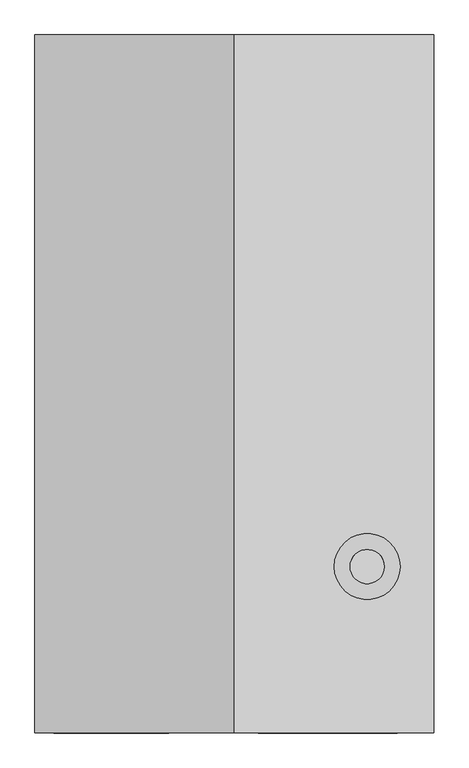
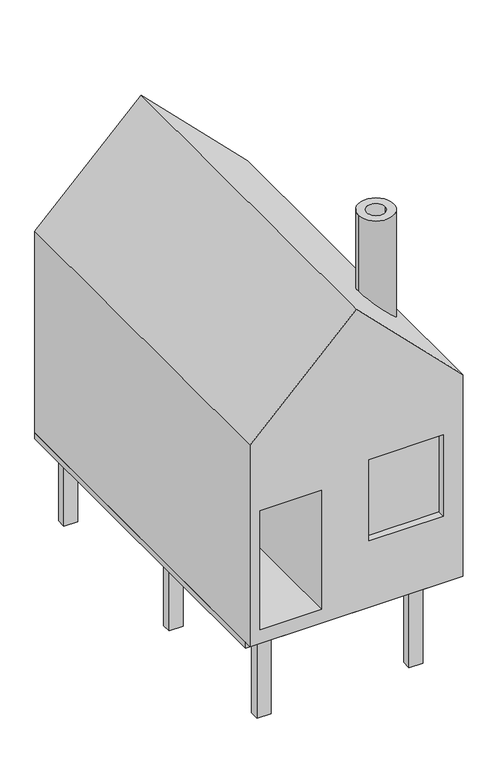
"""IFC4 building model written with IfcOpenShell, lengths in millimetres: proxy geometry."""

from ifc_helpers import new_model, si_unit, frame, origin, place, context, project, spatial, polyline, circle_curve, ellipse_curve, outline, extrude, source, transform, mapped, element, save
from ifc_brep_helpers import plane_surface, cylinder_surface, revolved_surface, advanced_brep


def generic_models_34aaccdc(model_context):
    return source(origin(), model_context, "Body", "SolidModel", [
        advanced_brep(
        [(0.0, -250.0, 7000.0), (0.0, -250.0, 0.0), (7000.0, -250.0, 0.0), (7000.0, -250.0, 7000.0), (3500.0, -250.0, 10500.0), (2353.0920418, -250.0, 4608.2037863), (2353.0920418, -250.0, 481.2048146), (327.0709999, -250.0, 481.2048146), (327.0709999, -250.0, 4608.2037863), (6357.1792653, -250.0, 5130.2848961), (6357.1792653, -250.0, 2302.9199047), (3917.7442303, -250.0, 2302.9199047), (3917.7442303, -250.0, 5130.2848961), (0.0, 12000.0, 7000.0), (3500.0, 12000.0, 10500.0), (7000.0, 12000.0, 7000.0), (7000.0, 12000.0, 0.0), (0.0, 12000.0, 0.0), (2353.0920418, 12000.0, 4608.2037863), (327.0709999, 12000.0, 4608.2037863), (327.0709999, 12000.0, 481.2048146), (2353.0920418, 12000.0, 481.2048146), (6409.9338849, 2670.3539018, 7590.0661151), (5252.3502744, 2670.3539018, 8747.6497256), (6131.1420797, 2670.3539018, 7868.8579203), (5531.1420797, 2670.3539018, 8468.8579203), (6357.1792653, 0.0, 5130.2848961), (3917.7442303, 0.0, 5130.2848961), (3917.7442303, 0.0, 2302.9199047), (6357.1792653, 0.0, 2302.9199047), (5252.3502744, 2670.3539018, 11373.3801353), (6409.9338849, 2670.3539018, 11373.3801353), (5531.1420797, 2670.3539018, 11373.3801353), (6131.1420797, 2670.3539018, 11373.3801353)],
        [
            (0, 1),
            (1, 2),
            (2, 3),
            (3, 4),
            (4, 0),
            (5, 6),
            (6, 7),
            (7, 8),
            (8, 5),
            (9, 10),
            (10, 11),
            (11, 12),
            (12, 9),
            (13, 14),
            (14, 15),
            (15, 16),
            (16, 17),
            (17, 13),
            (18, 19),
            (19, 20),
            (20, 21),
            (21, 18),
            (5, 18),
            (21, 6),
            (20, 7),
            (19, 8),
            (0, 13),
            (17, 1),
            (16, 2),
            (15, 3),
            (14, 4),
            (22, 23, ellipse_curve(frame((5831.1420797, 2670.3539018, 8168.8579203), z_axis=(-0.7071067811865493, 0.0, -0.7071067811865459), x_axis=(-0.707106781186546, 0.0, 0.707106781186549)), 818.5352208, 578.7918053)),
            (23, 22, ellipse_curve(frame((5831.1420797, 2670.3539018, 8168.8579203), z_axis=(-0.7071067811865493, 0.0, -0.7071067811865459), x_axis=(-0.707106781186546, 0.0, 0.707106781186549)), 818.5352208, 578.7918053)),
            (24, 25, ellipse_curve(frame((5831.1420797, 2670.3539018, 8168.8579203), z_axis=(0.7071067811865493, 0.0, 0.7071067811865459), x_axis=(0.707106781186546, 0.0, -0.707106781186549)), 424.2640687, 300.0)),
            (25, 24, ellipse_curve(frame((5831.1420797, 2670.3539018, 8168.8579203), z_axis=(0.7071067811865493, 0.0, 0.7071067811865459), x_axis=(0.707106781186546, 0.0, -0.707106781186549)), 424.2640687, 300.0)),
            (26, 27),
            (27, 28),
            (28, 29),
            (29, 26),
            (29, 10),
            (9, 26),
            (28, 11),
            (27, 12),
            (30, 31, circle_curve(frame((5831.1420797, 2670.3539018, 11373.3801353), z_axis=(0.0, 0.0, 1.0), x_axis=(1.0, 0.0, 0.0)), 578.7918053)),
            (31, 30, circle_curve(frame((5831.1420797, 2670.3539018, 11373.3801353), z_axis=(0.0, 0.0, 1.0), x_axis=(1.0, 0.0, 0.0)), 578.7918053)),
            (32, 33, circle_curve(frame((5831.1420797, 2670.3539018, 11373.3801353), z_axis=(0.0, 0.0, -1.0), x_axis=(1.0, 0.0, 0.0)), 300.0)),
            (33, 32, circle_curve(frame((5831.1420797, 2670.3539018, 11373.3801353), z_axis=(0.0, 0.0, -1.0), x_axis=(1.0, 0.0, 0.0)), 300.0)),
            (30, 23),
            (22, 31),
            (32, 25),
            (24, 33),
        ],
        [
            plane_surface(frame((2353.0920418, -250.0, 4608.2037863), z_axis=(0.0, -1.0, 0.0), x_axis=(0.0, 0.0, -1.0))),
            plane_surface(frame((2353.0920418, 12000.0, 4608.2037863), z_axis=(0.0, 1.0, 0.0), x_axis=(0.0, 0.0, 1.0))),
            plane_surface(frame((2353.0920418, -250.0, 4608.2037863), z_axis=(-1.0, 0.0, 0.0), x_axis=(0.0, 1.0, 0.0))),
            plane_surface(frame((2353.0920418, -250.0, 481.2048146), z_axis=(0.0, 0.0, 1.0), x_axis=(0.0, 1.0, 0.0))),
            plane_surface(frame((327.0709999, -250.0, 481.2048146), z_axis=(1.0, 0.0, 0.0), x_axis=(0.0, 1.0, 0.0))),
            plane_surface(frame((327.0709999, -250.0, 4608.2037863), z_axis=(0.0, 0.0, -1.0), x_axis=(0.0, 1.0, 0.0))),
            plane_surface(frame((0.0, -250.0, 7000.0), z_axis=(-1.0, 0.0, 0.0), x_axis=(0.0, 1.0, 0.0))),
            plane_surface(frame((0.0, -250.0, 0.0), z_axis=(0.0, 0.0, -1.0), x_axis=(0.0, 1.0, 0.0))),
            plane_surface(frame((7000.0, -250.0, 0.0), z_axis=(1.0, 0.0, 0.0), x_axis=(0.0, 1.0, 0.0))),
            plane_surface(frame((7000.0, -250.0, 7000.0), z_axis=(0.7071067811865493, 0.0, 0.7071067811865459), x_axis=(0.0, 1.0, 0.0))),
            plane_surface(frame((3500.0, -250.0, 10500.0), z_axis=(-0.7071067811865469, 0.0, 0.7071067811865482), x_axis=(0.0, 1.0, 0.0))),
            plane_surface(frame((6357.1792653, 0.0, 5130.2848961), z_axis=(0.0, -1.0, 0.0), x_axis=(0.0, 0.0, -1.0))),
            plane_surface(frame((6357.1792653, 0.0, 5130.2848961), z_axis=(-1.0, 0.0, 0.0), x_axis=(0.0, -1.0, 0.0))),
            plane_surface(frame((6357.1792653, 0.0, 2302.9199047), z_axis=(0.0, 0.0, 1.0), x_axis=(0.0, -1.0, 0.0))),
            plane_surface(frame((3917.7442303, 0.0, 2302.9199047), z_axis=(1.0, 0.0, 0.0), x_axis=(0.0, -1.0, 0.0))),
            plane_surface(frame((3917.7442303, 0.0, 5130.2848961), z_axis=(0.0, 0.0, -1.0), x_axis=(0.0, -1.0, 0.0))),
            plane_surface(frame((6409.9338849, 2670.3539018, 11373.3801353), z_axis=(0.0, 0.0, 1.0), x_axis=(0.0, 1.0, 0.0))),
            cylinder_surface(frame((5831.1420797, 2670.3539018, 0.0), z_axis=(0.0, 0.0, 1.0), x_axis=(1.0, 0.0, 0.0)), 578.7918053),
            revolved_surface(polyline([(6131.1420797, 2670.3539018, 7868.8579203), (6131.1420797, 2670.3539018, 11373.3801353)]), (5831.1420797, 2670.3539018, 0.0), (0.0, 0.0, -1.0)),
        ],
        [
            (0, [[1, 2, 3, 4, 5], [6, 7, 8, 9], [10, 11, 12, 13]]),
            (1, [[14, 15, 16, 17, 18], [19, 20, 21, 22]]),
            (2, [[-6, 23, -22, 24]]),
            (3, [[-7, -24, -21, 25]]),
            (4, [[-8, -25, -20, 26]]),
            (5, [[-9, -26, -19, -23]]),
            (6, [[-1, 27, -18, 28]]),
            (7, [[-2, -28, -17, 29]]),
            (8, [[-3, -29, -16, 30]]),
            (9, [[-4, -30, -15, 31], [32, 33]]),
            (9, [[34, 35]]),
            (10, [[-5, -31, -14, -27]]),
            (11, [[36, 37, 38, 39]]),
            (12, [[-39, 40, -10, 41]]),
            (13, [[-38, 42, -11, -40]]),
            (14, [[-37, 43, -12, -42]]),
            (15, [[-36, -41, -13, -43]]),
            (16, [[44, 45], [46, 47]]),
            (17, [[-44, 48, -32, 49]]),
            (17, [[-45, -49, -33, -48]]),
            (18, [[-46, 50, -34, 51]]),
            (18, [[-47, -51, -35, -50]]),
        ],
    ),
        extrude(outline(polyline([(1000.0, 11594.2435605), (1000.0, 11287.2940877), (542.2628552, 11287.2940877), (542.2628552, 11594.2435605), (1000.0, 11594.2435605)])), frame((0.0, 0.0, -3000.0), z_axis=(0.0, 0.0, 1.0), x_axis=(1.0, 0.0, 0.0)), (0.0, 0.0, 1.0), 2800.0),
        extrude(outline(polyline([(1000.0, 5594.2435605), (1000.0, 5287.2940877), (542.2628552, 5287.2940877), (542.2628552, 5594.2435605), (1000.0, 5594.2435605)])), frame((0.0, 0.0, -3000.0), z_axis=(0.0, 0.0, 1.0), x_axis=(1.0, 0.0, 0.0)), (0.0, 0.0, 1.0), 2800.0),
        extrude(outline(polyline([(6000.0, 11594.2435605), (6000.0, 11287.2940877), (5542.2628552, 11287.2940877), (5542.2628552, 11594.2435605), (6000.0, 11594.2435605)])), frame((0.0, 0.0, -3000.0), z_axis=(0.0, 0.0, 1.0), x_axis=(1.0, 0.0, 0.0)), (0.0, 0.0, 1.0), 2800.0),
        extrude(outline(polyline([(6000.0, 5594.2435605), (6000.0, 5287.2940877), (5542.2628552, 5287.2940877), (5542.2628552, 5594.2435605), (6000.0, 5594.2435605)])), frame((0.0, 0.0, -3000.0), z_axis=(0.0, 0.0, 1.0), x_axis=(1.0, 0.0, 0.0)), (0.0, 0.0, 1.0), 2800.0),
        extrude(outline(polyline([(1000.0, 594.2435605), (1000.0, 287.2940877), (542.2628552, 287.2940877), (542.2628552, 594.2435605), (1000.0, 594.2435605)])), frame((0.0, 0.0, -3000.0), z_axis=(0.0, 0.0, 1.0), x_axis=(1.0, 0.0, 0.0)), (0.0, 0.0, 1.0), 2800.0),
        extrude(outline(polyline([(6000.0, 594.2435605), (6000.0, 287.2940877), (5542.2628552, 287.2940877), (5542.2628552, 594.2435605), (6000.0, 594.2435605)])), frame((0.0, 0.0, -3000.0), z_axis=(0.0, 0.0, 1.0), x_axis=(1.0, 0.0, 0.0)), (0.0, 0.0, 1.0), 2800.0),
        extrude(outline(polyline([(7000.0, 0.0), (0.0, 0.0), (0.0, 12000.0), (7000.0, 12000.0), (7000.0, 0.0)]), holes=[polyline([(5127.1085938, 7839.5506177), (1667.7199429, 7839.5506177), (1667.7199429, 6252.9801782), (5127.1085938, 6252.9801782), (5127.1085938, 7839.5506177)])]), frame((0.0, 0.0, -200.0), z_axis=(0.0, 0.0, 1.0), x_axis=(1.0, 0.0, 0.0)), (0.0, 0.0, 1.0), 200.0),
    ])


if __name__ == "__main__":
    model = new_model("IFC4")
    model_context = context("Model", 3, world=origin())
    ifc_project = project(units=[si_unit("LENGTHUNIT", "METRE", prefix="MILLI")], contexts=[model_context])
    site = spatial("IfcSite", under=ifc_project)
    building = spatial("IfcBuilding", under=site)
    placement = place(None, origin())
    generic_models_shape = generic_models_34aaccdc(model_context)
    element("IfcBuildingElementProxy", 1, Name="Generic Models", at=placement, inside=building, context=model_context, shape_type="MappedRepresentation", body=[
        mapped(generic_models_shape, transform((0.0, 0.0, 0.0), x_axis=(1.0, 0.0, 0.0), y_axis=(0.0, 1.0, 0.0), z_axis=(0.0, 0.0, 1.0))),
    ])
    save(model, "model.ifc")
